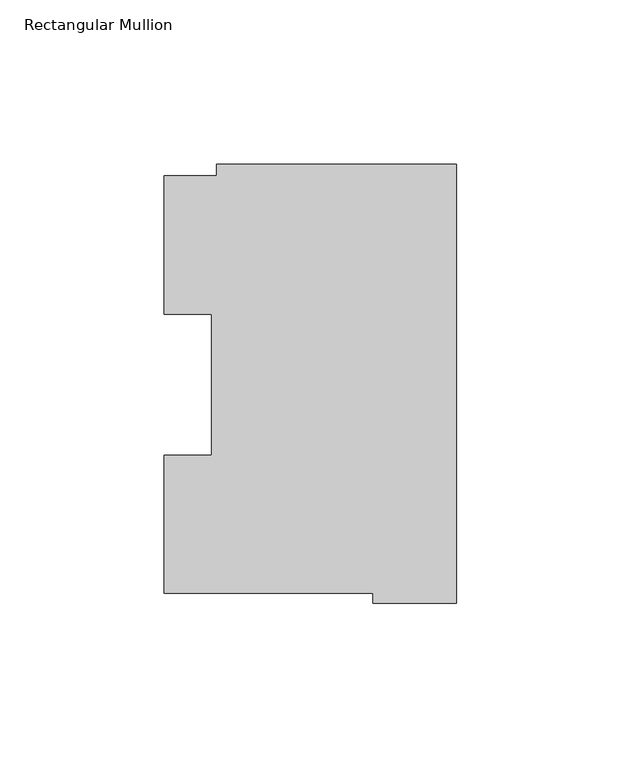
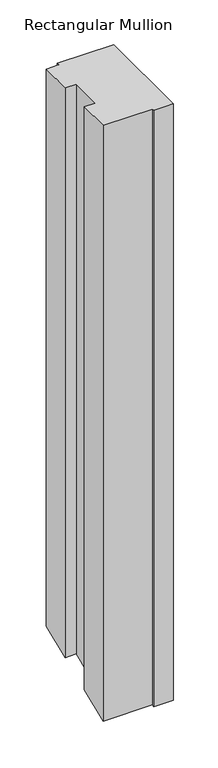
"""IFC4 building model written with IfcOpenShell, lengths in millimetres: member geometry, Rectangular Mullion."""

from ifc_helpers import new_model, si_unit, origin, place, context, project, spatial, faceted_brep, source, transform, mapped, element, save


def rectangular_mullion_c93c8988(model_context):
    return source(origin(), model_context, "Body", "Brep", [
        faceted_brep([(-73.025, 130.1270275, 0.0), (-73.025, 126.7086938, 0.0), (-88.8823253, 126.7086938, 0.0), (-88.8823253, 84.6335938, 0.0), (-74.4735473, 84.6335938, 0.0), (-74.4735473, 41.7837928, 0.0), (-88.8823253, 41.7837928, 0.0), (-88.8823253, -0.2913097, 0.0), (-25.3823253, -0.2913097, 0.0), (-25.3823253, -3.2371943, 0.0), (0.0, -3.2371943, 0.0), (0.0, 130.1270275, 0.0), (-73.025, 130.1270275, -758.8678704), (-73.025, 126.7086938, -760.2837906), (-88.8823253, 126.7086938, -760.2837906), (-88.8823253, 84.6335938, -777.7118676), (-74.4735473, 84.6335938, -777.7118676), (-74.4735473, 41.7837928, -795.4608363), (-88.8823253, 41.7837928, -795.4608363), (-88.8823253, -0.2913097, -812.8889144), (-25.3823253, -0.2913097, -812.8889144), (-25.3823253, -3.2371943, -814.1091398), (0.0, -3.2371943, -814.1091398), (0.0, 130.1270275, -758.8678704)], [[[0, 1, 2, 3, 4, 5, 6, 7, 8, 9, 10, 11]], [[1, 0, 12, 13]], [[2, 1, 13, 14]], [[3, 2, 14, 15]], [[4, 3, 15, 16]], [[5, 4, 16, 17]], [[6, 5, 17, 18]], [[7, 6, 18, 19]], [[8, 7, 19, 20]], [[9, 8, 20, 21]], [[10, 9, 21, 22]], [[11, 10, 22, 23]], [[0, 11, 23, 12]], [[12, 23, 22, 21, 20, 19, 18, 17, 16, 15, 14, 13]]]),
    ])


if __name__ == "__main__":
    model = new_model("IFC4")
    model_context = context("Model", 3, world=origin())
    ifc_project = project(units=[si_unit("LENGTHUNIT", "METRE", prefix="MILLI")], contexts=[model_context])
    site = spatial("IfcSite", under=ifc_project)
    building = spatial("IfcBuilding", under=site)
    placement = place(None, origin())
    rectangular_mullion_shape = rectangular_mullion_c93c8988(model_context)
    element("IfcMember", 1, ObjectType="Rectangular Mullion", at=placement, inside=building, context=model_context, shape_type="MappedRepresentation", body=[
        mapped(rectangular_mullion_shape, transform((0.0, 0.0, 0.0), x_axis=(1.0, 0.0, 0.0), y_axis=(0.0, 1.0, 0.0), z_axis=(0.0, 0.0, 1.0))),
    ])
    save(model, "model.ifc")
